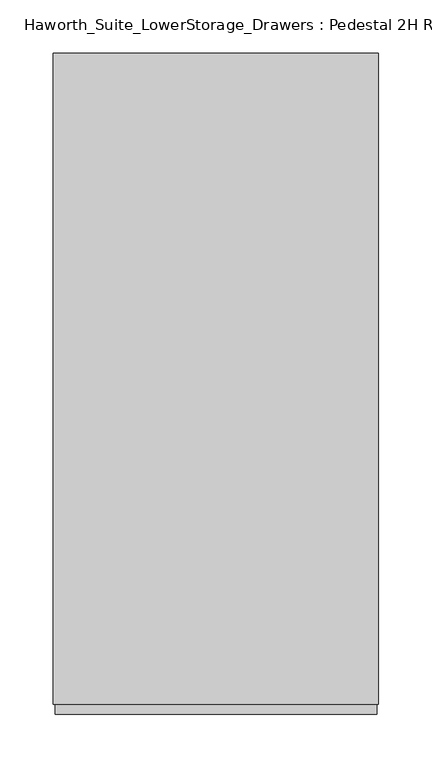
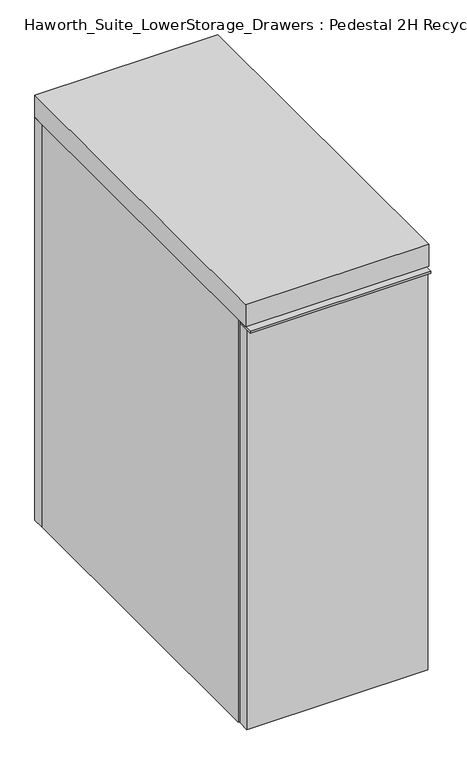
"""IFC4 building model written with IfcOpenShell, lengths in millimetres: furniture geometry, Haworth_Suite_LowerStorage_Drawers : Pedestal 2H Recycle."""

from ifc_helpers import new_model, si_unit, frame, origin, origin_with_axes, place, context, project, spatial, polyline, outline, extrude, source, transform, mapped, element, save


def haworth_suite_lowerstorage_drawers_pedestal_2h_recycle_aa1a8351(model_context):
    return source(origin(), model_context, "Body", "SweptSolid", [
        extrude(outline(polyline([(138.1125, -631.825), (-163.5125, -631.825), (-163.5125, -603.25), (138.1125, -603.25), (138.1125, -631.825)])), frame((0.0, 0.0, 704.85), z_axis=(0.0, 0.0, 1.0), x_axis=(1.0, 0.0, 0.0)), (0.0, 0.0, 1.0), 3.175),
        extrude(outline(polyline([(138.1125, -603.25), (138.1125, -622.3), (-163.5125, -622.3), (-163.5125, -603.25), (138.1125, -603.25)])), origin_with_axes(), (0.0, 0.0, 1.0), 704.85),
        extrude(outline(polyline([(139.7, -12.7), (139.7, -622.3), (-165.1, -622.3), (-165.1, -12.7), (139.7, -12.7)])), frame((0.0, 0.0, 711.2), z_axis=(0.0, 0.0, 1.0), x_axis=(1.0, 0.0, 0.0)), (0.0, 0.0, 1.0), 38.1),
        extrude(outline(polyline([(120.65, -133.35), (120.65, -152.4), (-146.05, -152.4), (-146.05, -133.35), (120.65, -133.35)])), frame((0.0, 0.0, 38.1), z_axis=(0.0, 0.0, 1.0), x_axis=(1.0, 0.0, 0.0)), (0.0, 0.0, 1.0), 654.05),
        extrude(outline(polyline([(139.7, -12.7), (139.7, -31.75), (-165.1, -31.75), (-165.1, -12.7), (139.7, -12.7)])), origin_with_axes(), (0.0, 0.0, 1.0), 711.2),
        extrude(outline(polyline([(120.65, -133.35), (120.65, -501.65), (-146.05, -501.65), (-146.05, -133.35), (120.65, -133.35)])), frame((0.0, 0.0, 692.15), z_axis=(0.0, 0.0, 1.0), x_axis=(1.0, 0.0, 0.0)), (0.0, 0.0, 1.0), 19.05),
        extrude(outline(polyline([(120.65, -31.75), (120.65, -600.075), (-146.05, -600.075), (-146.05, -31.75), (120.65, -31.75)])), origin_with_axes(), (0.0, 0.0, 1.0), 38.1),
        extrude(outline(polyline([(-146.05, -31.75), (-146.05, -600.075), (-165.1, -600.075), (-165.1, -31.75), (-146.05, -31.75)])), origin_with_axes(), (0.0, 0.0, 1.0), 711.2),
        extrude(outline(polyline([(139.7, -600.075), (120.65, -600.075), (120.65, -31.75), (139.7, -31.75), (139.7, -600.075)])), origin_with_axes(), (0.0, 0.0, 1.0), 711.2),
    ])


if __name__ == "__main__":
    model = new_model("IFC4")
    model_context = context("Model", 3, world=origin())
    ifc_project = project(units=[si_unit("LENGTHUNIT", "METRE", prefix="MILLI")], contexts=[model_context])
    site = spatial("IfcSite", under=ifc_project)
    building = spatial("IfcBuilding", under=site)
    placement = place(None, origin())
    haworth_suite_lowerstorage_drawers_pedestal_2h_recycle_shape = haworth_suite_lowerstorage_drawers_pedestal_2h_recycle_aa1a8351(model_context)
    element("IfcFurniture", 1, ObjectType="Haworth_Suite_LowerStorage_Drawers : Pedestal 2H Recycle", at=placement, inside=building, context=model_context, shape_type="MappedRepresentation", body=[
        mapped(haworth_suite_lowerstorage_drawers_pedestal_2h_recycle_shape, transform((0.0, 0.0, 0.0), x_axis=(1.0, 0.0, 0.0), y_axis=(0.0, 1.0, 0.0), z_axis=(0.0, 0.0, 1.0))),
    ])
    save(model, "model.ifc")
